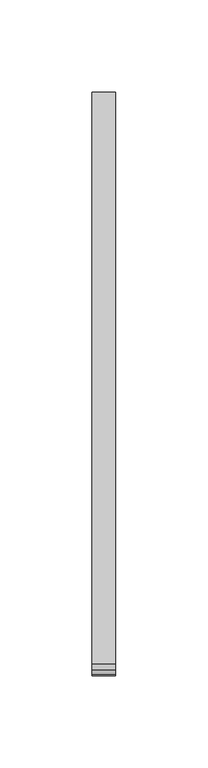
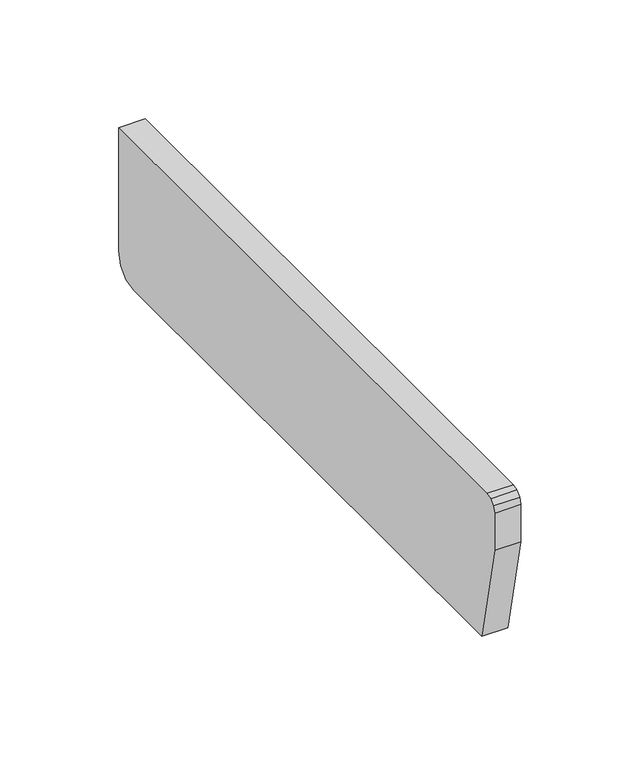
"""IFC4 building model written with IfcOpenShell, lengths in millimetres: furniture geometry."""

from ifc_helpers import new_model, si_unit, frame, origin, place, context, project, spatial, polyline, outline, extrude, source, transform, mapped, element, save


def furniture_d1ceaaa6(model_context):
    return source(origin(), model_context, "Body", "SweptSolid", [
        extrude(outline(polyline([(-21.75256, 988.0875869), (-21.75256, 924.720928), (-23.4897662, 918.2375809), (-28.1382809, 913.5890662), (-34.4882909, 911.8875869), (-326.8573849, 911.8875869), (-337.72856, 962.6875839), (-337.72856, 981.7375839), (-336.8778522, 984.9125685), (-334.5535721, 987.2368485), (-331.3785842, 988.0875869), (-21.75256, 988.0875869)])), frame((12.3877049, 0.0, 0.0), z_axis=(1.0, 0.0, 0.0), x_axis=(0.0, 1.0, 0.0)), (0.0, 0.0, 1.0), 12.7),
    ])


if __name__ == "__main__":
    model = new_model("IFC4")
    model_context = context("Model", 3, world=origin())
    ifc_project = project(units=[si_unit("LENGTHUNIT", "METRE", prefix="MILLI")], contexts=[model_context])
    site = spatial("IfcSite", under=ifc_project)
    building = spatial("IfcBuilding", under=site)
    placement = place(None, origin())
    furniture_shape = furniture_d1ceaaa6(model_context)
    element("IfcFurniture", 1, at=placement, inside=building, context=model_context, shape_type="MappedRepresentation", body=[
        mapped(furniture_shape, transform((0.0, 0.0, 0.0), x_axis=(1.0, 0.0, 0.0), y_axis=(0.0, 1.0, 0.0), z_axis=(0.0, 0.0, 1.0))),
    ])
    save(model, "model.ifc")
